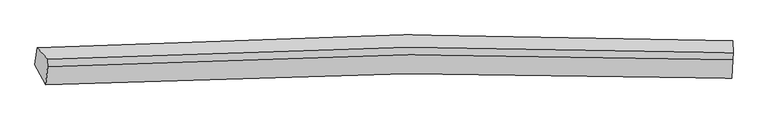
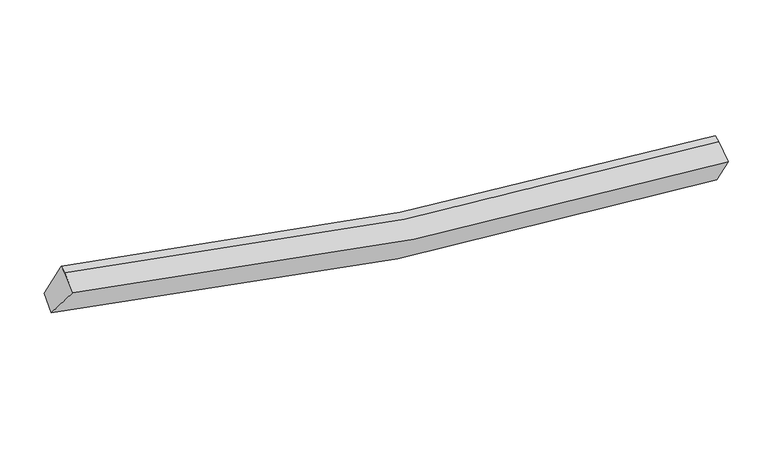
"""IFC4 building model written with IfcOpenShell, lengths in millimetres: proxy geometry."""

from ifc_helpers import new_model, si_unit, frame, origin, place, context, project, spatial, source, transform, mapped, element, save
from ifc_brep_helpers import plane_surface, spline_curve, spline_surface, advanced_brep


def generic_models_9cbd8a48(model_context):
    return source(origin(), model_context, "Body", "AdvancedBrep", [
        advanced_brep(
        [(-6240.8513571, -2559.9656013, 4341.5353672), (-6447.3770594, -2169.5831434, 3747.777276), (6914.9405468, -2036.0895808, 1793.1117429), (6917.343777, -2429.2864836, 2420.0012229), (-6203.7210901, -2208.9301358, 4535.6862306), (6934.0997427, -2078.5319393, 2617.4590661), (-6197.9224418, -2072.0042945, 4583.0432752), (6939.898391, -1941.6060981, 2664.8161107), (-6404.8862226, -1845.618784, 3953.8250348), (6931.1024646, -1712.4882451, 2003.4329833)],
        [
            (0, 1),
            (1, 2, spline_curve(3, [(-6447.3770594, -2169.5831434, 3747.777276), (-4117.630821255, -2042.045953627, 3106.420015508), (-1768.716611134, -1969.697024685, 2621.902306874), (2689.623021125, -1937.388988847, 2004.989380502), (4794.814680475, -1965.240063296, 1837.951910951), (6914.9405468, -2036.0895808, 1793.1117429)], [4, 2, 4], [0.0, 23.417994698688645, 44.08857712718202])),
            (2, 3),
            (3, 0, spline_curve(3, [(6917.343777, -2429.2864836, 2420.0012229), (4820.8920059, -2359.595726563, 2465.29299219), (2743.231283381, -2332.153919732, 2630.142763078), (-1648.160918802, -2363.736284043, 3236.760120511), (-3956.565240277, -2434.737797369, 3712.421729851), (-6240.8513571, -2559.9656013, 4341.5353672)], [4, 2, 4], [0.0, 20.670582428493375, 44.08857712718202])),
            (4, 0),
            (3, 5),
            (5, 4, spline_curve(3, [(6934.0997427, -2078.5319393, 2617.4590661), (4839.58971647, -1998.002859568, 2659.998059941), (2764.453211309, -1964.783609546, 2823.143367083), (-1620.312685195, -1994.837602647, 3428.361207572), (-3924.449790215, -2071.522918853, 3904.624954482), (-6203.7210901, -2208.9301358, 4535.6862306)], [4, 2, 4], [0.0, 20.496399051872125, 43.71705894374403])),
            (6, 4),
            (5, 7),
            (7, 6, spline_curve(3, [(6939.898391, -1941.6060981, 2664.8161107), (4845.639329741, -1855.150869981, 2709.404716569), (2770.636127128, -1818.783898791, 2873.63869166), (-1614.096412132, -1848.050223889, 3479.128954602), (-3918.366819566, -1927.883260003, 3954.304033473), (-6197.9224418, -2072.0042945, 4583.0432752)], [4, 2, 4], [0.0, 20.481868219076233, 43.68606592530055])),
            (8, 6),
            (7, 9),
            (9, 8, spline_curve(3, [(6931.1024646, -1712.4882451, 2003.4329833), (4813.461067789, -1623.875679502, 2044.647027147), (2711.518199811, -1586.563023593, 2209.445330631), (-1738.261808102, -1616.396632389, 2824.540568332), (-4081.648502424, -1698.086135457, 3309.872949075), (-6404.8862226, -1845.618784, 3953.8250348)], [4, 2, 4], [0.0, 20.62472309199964, 43.990763100847744])),
            (1, 8),
            (9, 2),
        ],
        [
            spline_surface(3, 3, [[(-6240.8513571, -2559.9656013, 4341.5353672), (-3956.565240077, -2434.737797241, 3712.421730196), (-1648.160918462, -2363.736284395, 3236.760120229), (2743.23128308, -2332.153919421, 2630.142763326), (4820.892006187, -2359.59572637, 2465.292991872), (6917.343777, -2429.2864836, 2420.0012229)], [(-6309.693257891, -2429.838115321, 4143.616003487), (-4010.253767123, -2303.840516032, 3510.421158589), (-1688.346149463, -2232.38986457, 3031.807515853), (2725.361862543, -2200.565609172, 2421.758302347), (4812.199564295, -2228.143838638, 2256.179298235), (6916.542700276, -2298.220849328, 2211.038062909)], [(-6378.535158609, -2299.710629379, 3945.696639713), (-4063.942294096, -2172.943234859, 3308.42058692), (-1728.531380491, -2101.043444728, 2826.85491143), (2707.492441979, -2068.977298905, 2213.373841322), (4803.507122373, -2096.691950924, 2047.065604572), (6915.741623524, -2167.155215072, 2002.074902891)], [(-6447.3770594, -2169.5831434, 3747.777276), (-4117.630821142, -2042.04595365, 3106.420015313), (-1768.716611493, -1969.697024903, 2621.902307055), (2689.623021442, -1937.388988655, 2004.989380343), (4794.814680481, -1965.240063193, 1837.951910935), (6914.9405468, -2036.0895808, 1793.1117429)]], [4, 4], [4, 2, 4], [0.0, 2.4274104568566988], [0.0, 23.417994698688645, 44.08857712718202]),
            spline_surface(3, 3, [[(-6203.7210901, -2208.9301358, 4535.6862306), (-3924.449790451, -2071.522919041, 3904.62495452), (-1620.312684817, -1994.837602989, 3428.361207256), (2764.453210975, -1964.783609244, 2823.143367362), (4839.589716212, -1998.002859742, 2659.998059798), (6934.0997427, -2078.5319393, 2617.4590661)], [(-6216.09784574, -2325.941957649, 4470.969276135), (-3935.154940299, -2192.594545123, 3840.55721308), (-1629.595429362, -2117.80383012, 3364.49417825), (2757.379235013, -2087.240379299, 2758.809832687), (4833.357146188, -2118.533815271, 2595.096370488), (6928.514420784, -2195.45012072, 2551.639785032)], [(-6228.47460146, -2442.953779451, 4406.252321665), (-3945.860090229, -2313.666171159, 3776.489471636), (-1638.878173916, -2240.770057264, 3300.627149235), (2750.305259042, -2209.697149367, 2694.476298002), (4827.124576211, -2239.06477084, 2530.194681182), (6922.929098916, -2312.36830218, 2485.820503968)], [(-6240.8513571, -2559.9656013, 4341.5353672), (-3956.565240077, -2434.737797241, 3712.421730196), (-1648.160918462, -2363.736284395, 3236.760120229), (2743.23128308, -2332.153919421, 2630.142763326), (4820.892006187, -2359.59572637, 2465.292991872), (6917.343777, -2429.2864836, 2420.0012229)]], [4, 4], [4, 2, 4], [0.0, 1.365073740371283], [0.0, 23.220659891871904, 43.71705894374403]),
            spline_surface(3, 3, [[(-6197.9224418, -2072.0042945, 4583.0432752), (-3918.366819879, -1927.883260266, 3954.304033813), (-1614.096411964, -1848.050223791, 3479.128954264), (2770.63612698, -1818.783898877, 2873.638691958), (4845.639329935, -1855.150869897, 2709.404716679), (6939.898391, -1941.6060981, 2664.8161107)], [(-6199.855324567, -2117.646241584, 4567.257593658), (-3920.394476737, -1975.763146508, 3937.744340707), (-1616.168502909, -1896.979350196, 3462.206371927), (2768.575154985, -1867.450469005, 2856.806917092), (4843.622792027, -1902.768199863, 2692.935831044), (6937.965508233, -1987.248045184, 2649.030429158)], [(-6201.788207333, -2163.288188716, 4551.471912142), (-3922.422133593, -2023.643032799, 3921.184647626), (-1618.240593872, -1945.908476584, 3445.283789593), (2766.51418297, -1916.117039116, 2839.975142228), (4841.60625412, -1950.385529777, 2676.466945433), (6936.032625467, -2032.889992216, 2633.244747642)], [(-6203.7210901, -2208.9301358, 4535.6862306), (-3924.449790451, -2071.522919041, 3904.62495452), (-1620.312684817, -1994.837602989, 3428.361207256), (2764.453210975, -1964.783609244, 2823.143367362), (4839.589716212, -1998.002859742, 2659.998059798), (6934.0997427, -2078.5319393, 2617.4590661)]], [4, 4], [4, 2, 4], [0.0, 0.508658083653825], [0.0, 23.204197706224313, 43.68606592530055]),
            spline_surface(3, 3, [[(-6404.8862226, -1845.618784, 3953.8250348), (-4081.648502362, -1698.086135118, 3309.872949441), (-1738.26180791, -1616.396632593, 2824.540568558), (2711.518199642, -1586.563023414, 2209.445330431), (4813.461067578, -1623.875679641, 2044.647027431), (6931.1024646, -1712.4882451, 2003.4329833)], [(-6335.898295665, -1921.08062082, 4163.564448277), (-4027.221274866, -1774.68517682, 3524.683310908), (-1696.873342608, -1693.61449632, 3042.736697103), (2731.224175408, -1663.969981896, 2430.843117583), (4824.187155057, -1700.967409708, 2266.232923829), (6934.034440093, -1788.860862748, 2223.894025749)], [(-6266.910368735, -1996.54245768, 4373.303861723), (-3972.794047375, -1851.284218564, 3739.493672346), (-1655.484877266, -1770.832360064, 3260.932825719), (2750.930151214, -1741.376940395, 2652.240904806), (4834.913242456, -1778.059139831, 2487.81882028), (6936.966415507, -1865.233480452, 2444.355068251)], [(-6197.9224418, -2072.0042945, 4583.0432752), (-3918.366819879, -1927.883260266, 3954.304033813), (-1614.096411964, -1848.050223791, 3479.128954264), (2770.63612698, -1818.783898877, 2873.638691958), (4845.639329935, -1855.150869897, 2709.404716679), (6939.898391, -1941.6060981, 2664.8161107)]], [4, 4], [4, 2, 4], [0.0, 2.3126458613775682], [0.0, 23.366040008848103, 43.990763100847744]),
            spline_surface(3, 3, [[(-6447.3770594, -2169.5831434, 3747.777276), (-4117.630821142, -2042.04595365, 3106.420015313), (-1768.716611493, -1969.697024903, 2621.902307055), (2689.623021442, -1937.388988655, 2004.989380343), (4794.814680481, -1965.240063193, 1837.951910935), (6914.9405468, -2036.0895808, 1793.1117429)], [(-6433.213447137, -2061.595023627, 3816.459862243), (-4105.636714885, -1927.392680833, 3174.237659999), (-1758.565010303, -1851.930227465, 2689.448394228), (2696.92141417, -1820.447000241, 2073.141363711), (4801.030142826, -1851.451935363, 1906.850283119), (6920.327852713, -1928.222468921, 1863.218823052)], [(-6419.049834863, -1953.606903773, 3885.142448557), (-4093.642608618, -1812.739407936, 3242.055304755), (-1748.413409099, -1734.16343003, 2756.994481385), (2704.219806914, -1703.505011829, 2141.293347063), (4807.245605232, -1737.663807471, 1975.748655247), (6925.715158687, -1820.355356979, 1933.325903148)], [(-6404.8862226, -1845.618784, 3953.8250348), (-4081.648502362, -1698.086135118, 3309.872949441), (-1738.26180791, -1616.396632593, 2824.540568558), (2711.518199642, -1586.563023414, 2209.445330431), (4813.461067578, -1623.875679641, 2044.647027431), (6931.1024646, -1712.4882451, 2003.4329833)]], [4, 4], [4, 2, 4], [0.0, 1.3370631839435623], [0.0, 23.563434034038817, 44.362392773500844]),
            plane_surface(frame((6927.4769844, -2039.6004694, 2299.7642252), z_axis=(0.9991210392849447, -0.03368058192268073, -0.0249553052380007), x_axis=(-0.03999067794083066, -0.9443161465588552, -0.326600307755623))),
            plane_surface(frame((-6298.9516342, -2171.2203918, 4232.3734368), z_axis=(-0.954455030763405, -0.06061652928203136, 0.29213221429385067), x_axis=(0.2790887869912264, -0.5275438620770545, 0.8023757988377963))),
        ],
        [
            (0, [[1, 2, 3, 4]]),
            (1, [[5, -4, 6, 7]]),
            (2, [[8, -7, 9, 10]]),
            (3, [[11, -10, 12, 13]]),
            (4, [[14, -13, 15, -2]]),
            (5, [[-9, -6, -3, -15, -12]]),
            (6, [[-1, -5, -8, -11, -14]]),
        ],
    ),
    ])


if __name__ == "__main__":
    model = new_model("IFC4")
    model_context = context("Model", 3, world=origin())
    ifc_project = project(units=[si_unit("LENGTHUNIT", "METRE", prefix="MILLI")], contexts=[model_context])
    site = spatial("IfcSite", under=ifc_project)
    building = spatial("IfcBuilding", under=site)
    placement = place(None, origin())
    generic_models_shape = generic_models_9cbd8a48(model_context)
    element("IfcBuildingElementProxy", 1, Name="Generic Models", at=placement, inside=building, context=model_context, shape_type="MappedRepresentation", body=[
        mapped(generic_models_shape, transform((0.0, 0.0, 0.0), x_axis=(1.0, 0.0, 0.0), y_axis=(0.0, 1.0, 0.0), z_axis=(0.0, 0.0, 1.0))),
    ])
    save(model, "model.ifc")
